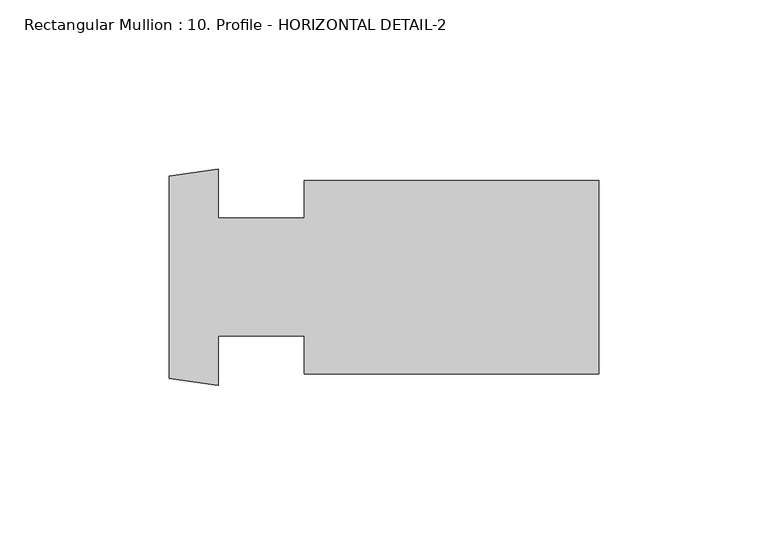
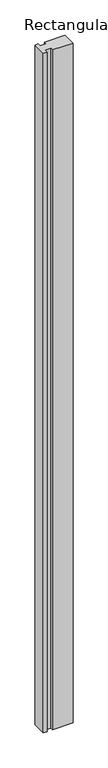
"""IFC4 building model written with IfcOpenShell, lengths in millimetres: member geometry, Rectangular Mullion : 10. Profile - HORIZONTAL DETAIL-2."""

from ifc_helpers import new_model, si_unit, frame, origin, place, context, project, spatial, polyline, outline, extrude, source, transform, mapped, element, save


def rectangular_mullion_10_profile_horizontal_detail_2_e8427f03(model_context):
    return source(origin(), model_context, "Body", "SweptSolid", [
        extrude(outline(polyline([(-127.0, 29.9251771), (-112.4770209, 31.9835521), (-112.4770209, 17.4722949), (-87.0971831, 17.4722949), (-87.0971831, 28.5847949), (0.0, 28.5847949), (0.0, -28.5652051), (-87.0971831, -28.5652051), (-87.0971831, -17.4654051), (-112.4971831, -17.4654051), (-112.4971831, -31.9611048), (-127.0, -29.9055874), (-127.0, 29.9251771)])), frame((0.0, 0.0, -3048.0), z_axis=(0.0, 0.0, 1.0), x_axis=(1.0, 0.0, 0.0)), (0.0, 0.0, 1.0), 3048.0),
    ])


if __name__ == "__main__":
    model = new_model("IFC4")
    model_context = context("Model", 3, world=origin())
    ifc_project = project(units=[si_unit("LENGTHUNIT", "METRE", prefix="MILLI")], contexts=[model_context])
    site = spatial("IfcSite", under=ifc_project)
    building = spatial("IfcBuilding", under=site)
    placement = place(None, origin())
    rectangular_mullion_10_profile_horizontal_detail_2_shape = rectangular_mullion_10_profile_horizontal_detail_2_e8427f03(model_context)
    element("IfcMember", 1, ObjectType="Rectangular Mullion : 10. Profile - HORIZONTAL DETAIL-2", at=placement, inside=building, context=model_context, shape_type="MappedRepresentation", body=[
        mapped(rectangular_mullion_10_profile_horizontal_detail_2_shape, transform((0.0, 0.0, 0.0), x_axis=(1.0, 0.0, 0.0), y_axis=(0.0, 1.0, 0.0), z_axis=(0.0, 0.0, 1.0))),
    ])
    save(model, "model.ifc")
